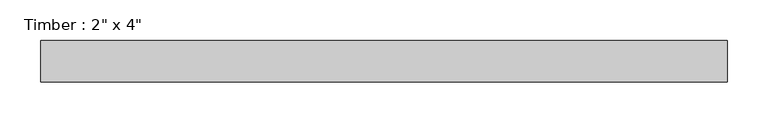
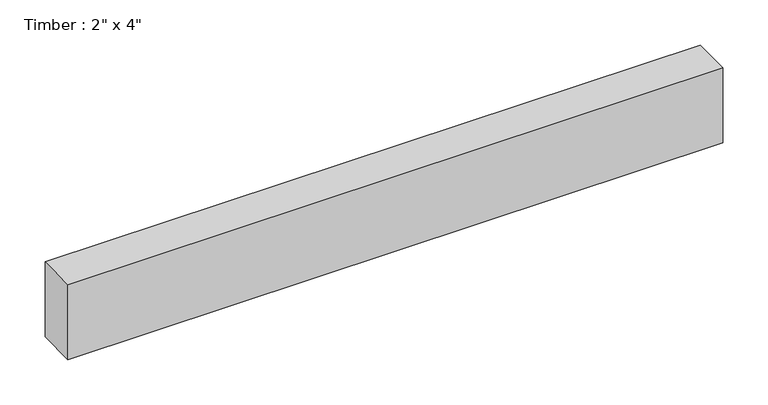
"""IFC4 building model written with IfcOpenShell, lengths in millimetres: beam geometry."""

import ifcopenshell
import ifcopenshell.guid

model = None  # the IFC model being written
_history = None  # IfcOwnerHistory: only IFC2X3 demands one
_inside = {}  # id of a spatial element -> (the spatial element, [elements in it])
_under = {}  # id of a project, library or spatial element -> (it, [spatial elements below it])
_declared = {}  # id of a project -> (the project, [libraries it declares])
_typed = {}  # id of a type object -> (the type object, [elements of that type])
_made_of = {}  # id of a material, layer set ... -> (it, [elements and type objects made of it])


def new_model(schema):
    """Start an empty IFC model of exactly this schema.

    Asked for "IFC4X3", IfcOpenShell would pick the latest addendum, in which some entities
    have other attributes; the version numbers below select the first issue.
    IFC2X3 requires an IfcOwnerHistory on every rooted entity: one is made here for all.
    """
    global model, _history
    if schema == "IFC4X3":
        model = ifcopenshell.file(schema_version=(4, 3, 0, 0))
    else:
        model = ifcopenshell.file(schema=schema)
    _inside.clear()
    _under.clear()
    _declared.clear()
    _typed.clear()
    _made_of.clear()
    _history = None
    if model.schema == "IFC2X3":
        org = make("IfcOrganization", Name="unknown")
        user = make(
            "IfcPersonAndOrganization",
            ThePerson=make("IfcPerson", FamilyName="unknown"),
            TheOrganization=org,
        )
        app = make(
            "IfcApplication",
            ApplicationDeveloper=org,
            Version="unknown",
            ApplicationFullName="unknown",
            ApplicationIdentifier="unknown",
        )
        _history = make(
            "IfcOwnerHistory",
            OwningUser=user,
            OwningApplication=app,
            ChangeAction="ADDED",
            CreationDate=0,
        )
    return model


def make(cls, **values):
    """One entity of the class cls with the attributes given. An attribute that is None is left unset."""
    return model.create_entity(
        cls, **{name: value for name, value in values.items() if value is not None}
    )


def rooted(cls, **values):
    """An entity with a GlobalId (a new one), such as an element, a storey or a relation."""
    return make(cls, GlobalId=ifcopenshell.guid.new(), OwnerHistory=_history, **values)


def si_unit(unit_type, name, prefix=None):
    """IfcSIUnit, for example si_unit("LENGTHUNIT", "METRE", prefix="MILLI")."""
    return make("IfcSIUnit", UnitType=unit_type, Prefix=prefix, Name=name)


def assignment(units):
    """IfcUnitAssignment: the units of a project."""
    return None if units is None else make("IfcUnitAssignment", Units=units)


def point(xyz):
    """IfcCartesianPoint."""
    return None if xyz is None else make("IfcCartesianPoint", Coordinates=xyz)


def direction(xyz):
    """IfcDirection."""
    return None if xyz is None else make("IfcDirection", DirectionRatios=xyz)


def frame(location, z_axis=None, x_axis=None):
    """IfcAxis2Placement3D, a coordinate frame: its origin and axes. An axis left out is left unset."""
    return make(
        "IfcAxis2Placement3D",
        Location=point(location),
        Axis=direction(z_axis),
        RefDirection=direction(x_axis),
    )


def origin():
    """The frame at (0, 0, 0) with its axes left unset."""
    return frame((0.0, 0.0, 0.0))


def place(relative_to, where):
    """IfcLocalPlacement: puts the frame where relative to a parent placement (None: the world)."""
    return make(
        "IfcLocalPlacement", PlacementRelTo=relative_to, RelativePlacement=where
    )


def context(
    kind, dimensions, precision=None, world=None, true_north=None, identifier=None
):
    """IfcGeometricRepresentationContext, for example the 3D "Model" context."""
    return make(
        "IfcGeometricRepresentationContext",
        ContextIdentifier=identifier,
        ContextType=kind,
        CoordinateSpaceDimension=dimensions,
        Precision=precision,
        WorldCoordinateSystem=world,
        TrueNorth=true_north,
    )


def project(units=None, contexts=None):
    """IfcProject with its units and contexts."""
    return rooted(
        "IfcProject",
        Name="project",
        RepresentationContexts=contexts,
        UnitsInContext=assignment(units),
    )


def spatial(cls, under=None, at=None, **own):
    """A site, building, storey or space (cls), placed at a placement, below another one or the project."""
    s = rooted(cls, ObjectPlacement=at, **own)
    if under is not None:
        _under.setdefault(under.id(), (under, []))[1].append(s)
    return s


def polyline(points):
    """IfcPolyline through the points."""
    return make("IfcPolyline", Points=[point(p) for p in points])


def outline(outer, holes=None, kind="AREA"):
    """IfcArbitraryClosedProfileDef: a profile drawn as a closed curve; with holes, ...WithVoids."""
    if holes is None:
        return make("IfcArbitraryClosedProfileDef", ProfileType=kind, OuterCurve=outer)
    return make(
        "IfcArbitraryProfileDefWithVoids",
        ProfileType=kind,
        OuterCurve=outer,
        InnerCurves=holes,
    )


def extrude(swept, where, along, depth):
    """IfcExtrudedAreaSolid: the profile swept, set in the frame where, extruded along a direction by depth."""
    return make(
        "IfcExtrudedAreaSolid",
        SweptArea=swept,
        Position=where,
        ExtrudedDirection=direction(along),
        Depth=depth,
    )


def shape(context_of_items, identifier, shape_type, items):
    """IfcShapeRepresentation: the items that make up one representation, for example the "Body"."""
    return make(
        "IfcShapeRepresentation",
        ContextOfItems=context_of_items,
        RepresentationIdentifier=identifier,
        RepresentationType=shape_type,
        Items=items,
    )


def source(mapping_origin, context_of_items, identifier, shape_type, items):
    """IfcRepresentationMap: a shape defined once, which mapped items show again and again."""
    return make(
        "IfcRepresentationMap",
        MappingOrigin=mapping_origin,
        MappedRepresentation=shape(context_of_items, identifier, shape_type, items),
    )


def transform(
    local_origin,
    x_axis=None,
    y_axis=None,
    z_axis=None,
    scale=None,
    scale2=None,
    scale3=None,
    uniform=True,
):
    """IfcCartesianTransformationOperator3D, or its non-uniform kind. x_axis, y_axis, z_axis: its Axis1, 2, 3."""
    if uniform:
        return make(
            "IfcCartesianTransformationOperator3D",
            Axis1=direction(x_axis),
            Axis2=direction(y_axis),
            LocalOrigin=point(local_origin),
            Scale=scale,
            Axis3=direction(z_axis),
        )
    return make(
        "IfcCartesianTransformationOperator3DnonUniform",
        Axis1=direction(x_axis),
        Axis2=direction(y_axis),
        LocalOrigin=point(local_origin),
        Scale=scale,
        Axis3=direction(z_axis),
        Scale2=scale2,
        Scale3=scale3,
    )


def mapped(mapping_source, mapping_target):
    """IfcMappedItem: shows the shape of a source again, moved by a transform."""
    return make(
        "IfcMappedItem", MappingSource=mapping_source, MappingTarget=mapping_target
    )


def made_of(thing, what):
    """Note that an element or type object is made of a material, layer set ...; save() writes the relation."""
    if what is not None:
        _made_of.setdefault(what.id(), (what, []))[1].append(thing)
    return thing


def element(
    cls,
    number,
    at=None,
    inside=None,
    cuts=None,
    type_object=None,
    material=None,
    context=None,
    identifier="Body",
    shape_type=None,
    held_by="IfcProductDefinitionShape",
    body=None,
    shapes=None,
    **own,
):
    """One element of the class cls, such as IfcWall. Its Tag is "e" and its number.

    at: its placement. inside: the storey or other place that contains it. cuts: it is an
    opening in that element (IfcRelVoidsElement). A single representation is given by context,
    identifier, shape_type and body (its items); several are given by shapes. held_by: the class
    of the entity that holds the representations. save() writes the other relations.
    """
    e = rooted(cls, Tag="e%d" % number, ObjectPlacement=at, **own)
    if body is not None:
        shapes = [shape(context, identifier, shape_type, body)]
    if shapes is not None:
        e.Representation = make(held_by, Representations=shapes)
    if inside is not None:
        _inside.setdefault(inside.id(), (inside, []))[1].append(e)
    if cuts is not None:
        rooted(
            "IfcRelVoidsElement", RelatingBuildingElement=cuts, RelatedOpeningElement=e
        )
    if type_object is not None:
        _typed.setdefault(type_object.id(), (type_object, []))[1].append(e)
    return made_of(e, material)


def aggregate(whole, parts):
    """IfcRelAggregates: a whole, such as a stair, and the parts it consists of."""
    return rooted("IfcRelAggregates", RelatingObject=whole, RelatedObjects=parts)


def save(model, path):
    """Write the relations noted so far, then the file.

    IfcRelAggregates (storeys below a building ...), IfcRelContainedInSpatialStructure (elements
    in a storey), IfcRelDefinesByType, IfcRelAssociatesMaterial and IfcRelDeclares: one each for
    every whole, place, type object, material and project.
    """
    for whole, parts in _under.values():
        aggregate(whole, parts)
    for where, things in _inside.values():
        rooted(
            "IfcRelContainedInSpatialStructure",
            RelatedElements=things,
            RelatingStructure=where,
        )
    for kind, things in _typed.values():
        rooted("IfcRelDefinesByType", RelatedObjects=things, RelatingType=kind)
    for what, things in _made_of.values():
        rooted("IfcRelAssociatesMaterial", RelatedObjects=things, RelatingMaterial=what)
    for by, libraries in _declared.values():
        rooted("IfcRelDeclares", RelatingContext=by, RelatedDefinitions=libraries)
    model.write(path)


def beam_d3604cf7(model_context):
    return source(origin(), model_context, "Body", "SweptSolid", [
        extrude(outline(polyline([(438.2498824, 25.4), (438.2498824, -25.4), (-401.0127205, -25.4), (-401.0127205, 25.4), (438.2498824, 25.4)])), frame((0.0, 0.0, -50.8), z_axis=(0.0, 0.0, 1.0), x_axis=(1.0, 0.0, 0.0)), (0.0, 0.0, 1.0), 101.6),
    ])


if __name__ == "__main__":
    model = new_model("IFC4")
    model_context = context("Model", 3, world=origin())
    ifc_project = project(units=[si_unit("LENGTHUNIT", "METRE", prefix="MILLI")], contexts=[model_context])
    site = spatial("IfcSite", under=ifc_project)
    building = spatial("IfcBuilding", under=site)
    placement = place(None, origin())
    beam_shape = beam_d3604cf7(model_context)
    element("IfcBeam", 1, ObjectType="Timber : 2\" x 4\"", at=placement, inside=building, context=model_context, shape_type="MappedRepresentation", body=[
        mapped(beam_shape, transform((0.0, 0.0, 0.0), x_axis=(1.0, 0.0, 0.0), y_axis=(0.0, 1.0, 0.0), z_axis=(0.0, 0.0, 1.0))),
    ])
    save(model, "model.ifc")
